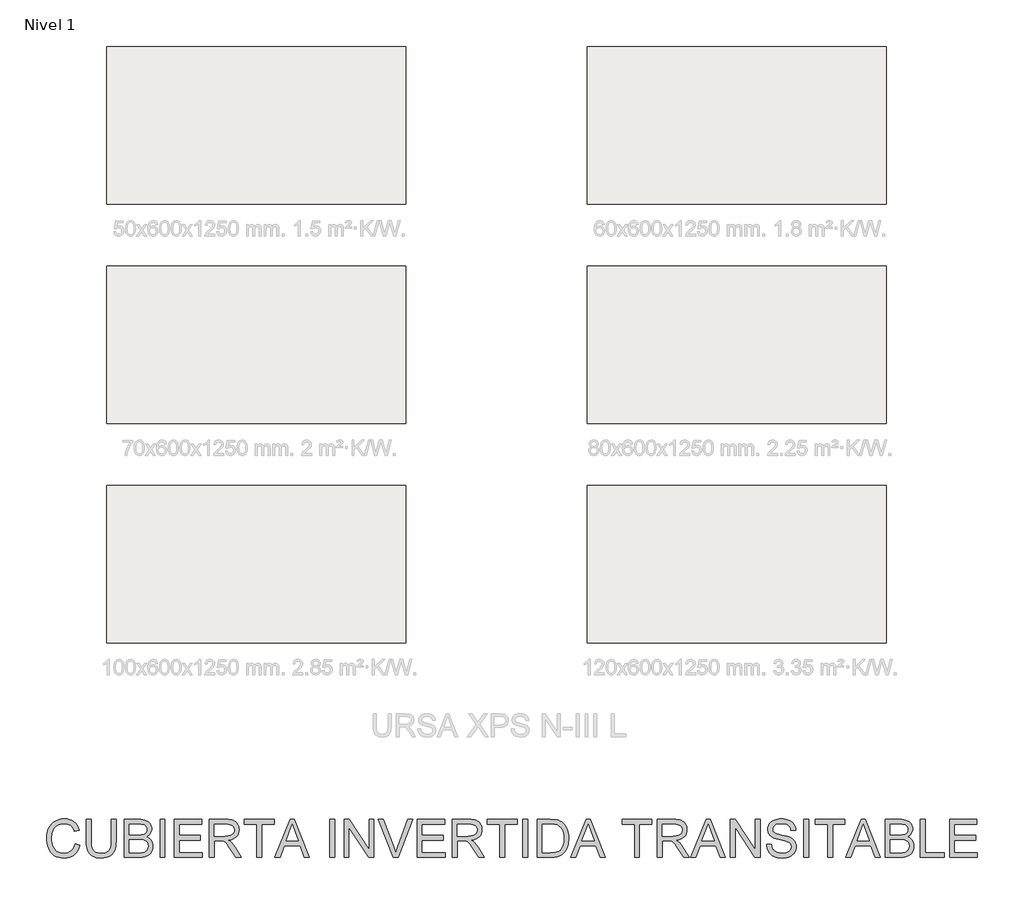
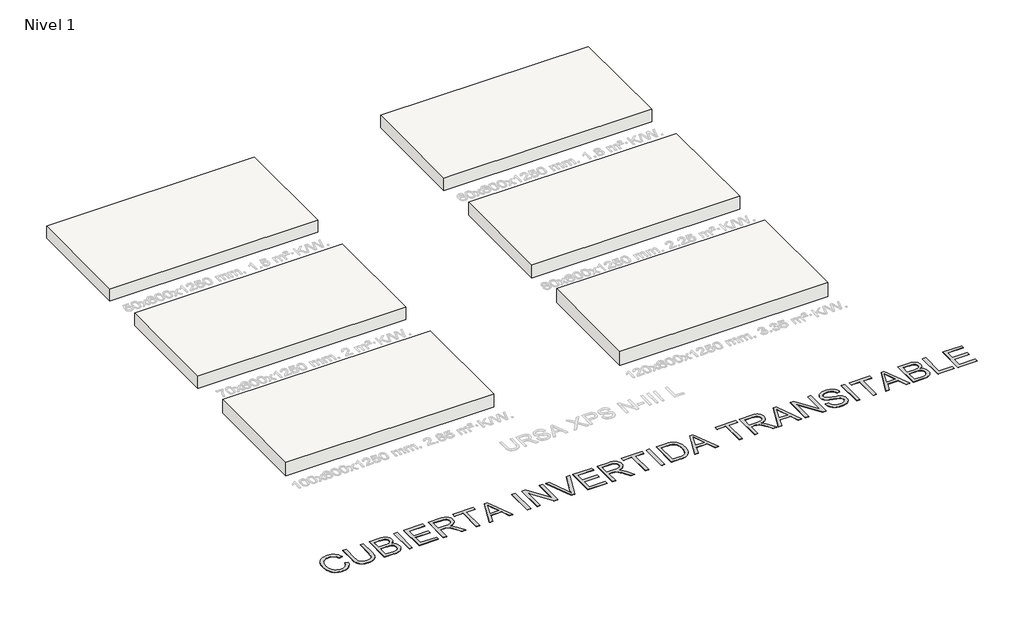
# One storey, part 1 of 7: 6 roofs, 1 proxy.
"""IFC4 building model written with IfcOpenShell, lengths in millimetres."""

from ifc_helpers import new_model, si_unit, origin, origin_with_axes, place, context, project, spatial, polyline, outline, extrude, element, save

model = new_model("IFC4")

# Units and contexts
model_context = context("Model", 3, world=origin())
ifc_project = project(units=[si_unit("LENGTHUNIT", "METRE", prefix="MILLI")], contexts=[model_context])

# Site, building, storey
site = spatial("IfcSite", under=ifc_project)
building = spatial("IfcBuilding", under=site)
storey = spatial("IfcBuildingStorey", under=building, Name="Nivel 1", Elevation=0.0)

# Proxy
placement = place(None, origin())
element("IfcBuildingElementProxy", 1, Name="Texto de modelo 2", ObjectType="Texto de modelo 2", at=placement, inside=storey, context=model_context, shape_type="SweptSolid", body=[
    extrude(outline(polyline([(-26852.6155714, -17259.2340137), (-26727.0451837, -17291.6076293), (-26751.8925468, -17369.698247), (-26784.9865979, -17437.9326929), (-26826.3273371, -17496.310967), (-26850.0902148, -17521.8040396), (-26875.9147644, -17544.8330693), (-26932.6299053, -17582.9778337), (-26995.3537855, -17610.2240939), (-27064.0864049, -17626.5718501), (-27138.8277636, -17632.0211022), (-27215.4008681, -17627.8977581), (-27284.4783769, -17615.527726), (-27346.06029, -17594.9110059), (-27400.1466075, -17566.0475977), (-27447.4807576, -17529.3666971), (-27488.8061684, -17485.2974997), (-27524.1228399, -17433.8400057), (-27553.4307722, -17374.9942149), (-27576.4463895, -17311.3046444), (-27592.8861162, -17245.3158116), (-27602.7499522, -17177.0277162), (-27606.0378975, -17106.4403584), (-27602.3207565, -17030.7026526), (-27591.1693335, -16959.9620106), (-27572.5836286, -16894.2184324), (-27546.5636416, -16833.471918), (-27513.6918525, -16778.7264786), (-27474.5507411, -16730.9861255), (-27429.1403073, -16690.2508587), (-27377.4605512, -16656.5206783), (-27321.2665764, -16630.0714957), (-27262.3134867, -16611.1792224), (-27200.601282, -16599.8438584), (-27136.1299623, -16596.0654037), (-27064.308667, -16600.9551686), (-26998.4501256, -16615.6244631), (-26938.5543383, -16640.0732874), (-26884.621305, -16674.3016414), (-26837.5400738, -16717.4051485), (-26798.1996929, -16768.4794321), (-26766.6001624, -16827.5244924), (-26742.7414822, -16894.5403292), (-26868.3118698, -16924.4613981), (-26888.0855271, -16875.0809045), (-26911.8445726, -16832.8894381), (-26939.5890064, -16797.8869991), (-26971.3188285, -16770.0735875), (-27007.2179799, -16748.8820517), (-27047.4704015, -16733.7452404), (-27092.0760934, -16724.6631537), (-27141.0350556, -16721.6357914), (-27197.3669861, -16724.9927146), (-27248.8857939, -16735.0634842), (-27295.5914788, -16751.8481003), (-27337.484041, -16775.3465627), (-27374.0346501, -16804.5012108), (-27404.7144756, -16838.2543839), (-27429.5235177, -16876.6060819), (-27448.4617762, -16919.5563048), (-27462.4642847, -16965.1583438), (-27472.4660764, -17011.46549), (-27478.4671515, -17058.4777433), (-27480.4675098, -17106.1951037), (-27478.0992695, -17166.1598689), (-27470.9945484, -17222.2005595), (-27459.1533467, -17274.3171755), (-27442.5756643, -17322.5097169), (-27420.9932539, -17365.8201576), (-27394.1378683, -17403.2904717), (-27362.0095074, -17434.920659), (-27324.6081712, -17460.7107197), (-27283.7502771, -17480.7219674), (-27241.2522425, -17495.0157158), (-27197.1140672, -17503.5919648), (-27151.3357515, -17506.4507145), (-27096.7435962, -17502.5572967), (-27046.5200397, -17490.8770433), (-27000.6650818, -17471.4099544), (-26959.1787226, -17444.15603), (-26923.0419808, -17409.2378972), (-26893.235875, -17366.7781836), (-26869.7604052, -17316.7768891), (-26852.6155714, -17259.2340137)])), origin_with_axes(), (0.0, 0.0, 1.0), 10.0),
    extrude(outline(polyline([(-25895.1413653, -16611.7617022), (-25769.5709776, -16611.7617022), (-25769.5709776, -17191.2984719), (-25771.7016275, -17263.0584536), (-25778.0935771, -17327.0162713), (-25788.7468266, -17383.171925), (-25803.6613758, -17431.5254148), (-25824.1248118, -17473.9084863), (-25851.4247215, -17512.1528854), (-25885.561105, -17546.258612), (-25926.5339622, -17576.2256662), (-25974.3892784, -17600.6361694), (-26029.1730388, -17618.0722432), (-26090.8852435, -17628.5338874), (-26159.5258925, -17632.0211022), (-26226.4727514, -17628.9860757), (-26287.0276606, -17619.8809963), (-26341.1906202, -17604.705864), (-26388.9616301, -17583.4606788), (-26430.3483546, -17556.4596732), (-26465.3584578, -17524.0170797), (-26493.9919397, -17486.1328984), (-26516.2488005, -17442.8071293), (-26532.9337818, -17392.5529159), (-26544.8516256, -17333.8834019), (-26552.0023319, -17266.7985872), (-26554.3859006, -17191.2984719), (-26554.3859006, -16611.7617022), (-26428.8155129, -16611.7617022), (-26428.8155129, -17186.883888), (-26427.2673429, -17247.5920814), (-26422.6228327, -17299.73169), (-26414.8819824, -17343.3027138), (-26404.0447919, -17378.3051528), (-26389.436811, -17407.2681957), (-26370.3835894, -17432.7210313), (-26346.8851269, -17454.6636594), (-26318.9414237, -17473.0960802), (-26287.0889743, -17487.6887327), (-26251.8642733, -17498.1120559), (-26213.2673206, -17504.3660498), (-26171.2981163, -17506.4507145), (-26102.090316, -17502.3273704), (-26043.5817503, -17489.9573384), (-25995.7724194, -17469.3406182), (-25975.8799669, -17455.9397501), (-25958.6623231, -17440.47721), (-25943.7745986, -17422.0831102), (-25930.871904, -17399.8875632), (-25911.0216047, -17344.0921273), (-25899.1114251, -17273.0909022), (-25895.1413653, -17186.883888), (-25895.1413653, -16611.7617022)])), origin_with_axes(), (0.0, 0.0, 1.0), 10.0),
    extrude(outline(polyline([(-25549.8227991, -17616.3248037), (-25549.8227991, -16611.7617022), (-25166.4897602, -16611.7617022), (-25110.8859294, -16613.6087764), (-25061.0609117, -16619.1499989), (-25017.014707, -16628.3853699), (-24978.7473153, -16641.3148891), (-24945.2853821, -16658.0765125), (-24915.6555531, -16678.8081958), (-24889.8578282, -16703.509939), (-24867.8922074, -16732.181742), (-24850.3488348, -16763.2064569), (-24837.8178543, -16794.9669358), (-24830.299266, -16827.4631787), (-24827.7930699, -16860.6951856), (-24829.9007272, -16891.3903396), (-24836.223699, -16921.181117), (-24846.7619853, -16950.0675178), (-24861.5155862, -16978.0495421), (-24880.5304868, -17004.25347), (-24903.8526724, -17027.8055819), (-24931.4821431, -17048.7058778), (-24963.4188988, -17066.9543576), (-24925.5193891, -17083.1105085), (-24892.2643896, -17104.1104391), (-24863.6539002, -17129.9541492), (-24839.6879211, -17160.641639), (-24820.7496626, -17195.237875), (-24807.222335, -17232.8078237), (-24799.1059385, -17273.3514853), (-24796.400473, -17316.8688596), (-24798.2475472, -17352.5304205), (-24803.7887697, -17386.9197229), (-24813.0241407, -17420.0367666), (-24825.95366, -17451.8815519), (-24841.6116374, -17481.296783), (-24859.0323827, -17507.1251648), (-24878.2158959, -17529.3666971), (-24899.162177, -17548.0213799), (-24922.3617353, -17563.8556341), (-24948.3050802, -17577.6358805), (-25008.4231296, -17599.0343499), (-25081.4783624, -17612.0021903), (-25169.4328161, -17616.3248037), (-25549.8227991, -17616.3248037)]), holes=[polyline([(-25424.2524114, -17019.8654622), (-25194.9393011, -17019.8654622), (-25114.7410262, -17017.1676609), (-25061.0302549, -17009.074257), (-25035.9453013, -17000.9272036), (-25014.1559573, -16990.4655594), (-24995.6622229, -16977.6893243), (-24980.4640979, -16962.5984983), (-24968.6075678, -16945.3003803), (-24960.1386177, -16925.9022692), (-24955.0572476, -16904.4041652), (-24953.3634576, -16880.806068), (-24954.9422845, -16858.2119821), (-24959.6787652, -16837.0281106), (-24967.5728997, -16817.2544533), (-24978.6246879, -16798.8910104), (-24992.6195322, -16782.6198963), (-25009.3428345, -16769.1232256), (-25028.794595, -16758.4009983), (-25050.9748137, -16750.4532144), (-25114.8636535, -16740.612371), (-25212.3523822, -16737.3320899), (-25424.2524114, -16737.3320899), (-25424.2524114, -17019.8654622)]), polyline([(-25424.2524114, -17490.754416), (-25166.7350148, -17490.754416), (-25110.3264422, -17489.5281427), (-25073.5382427, -17485.8493227), (-25030.2814514, -17474.966147), (-24994.6888684, -17458.5034278), (-24965.7488181, -17434.9283232), (-24942.4496251, -17402.7079918), (-24927.0905518, -17363.2833047), (-24921.9708607, -17318.0951329), (-24923.4730455, -17290.933179), (-24927.9795999, -17265.610635), (-24935.490524, -17242.1275009), (-24946.0058177, -17220.4837769), (-24959.8856988, -17201.3002637), (-24977.4903851, -17185.1977622), (-24998.8198766, -17172.1762724), (-25023.8741734, -17162.2357943), (-25053.7569213, -17154.8858186), (-25089.5717663, -17149.635836), (-25178.997748, -17145.4358499), (-25424.2524114, -17145.4358499), (-25424.2524114, -17490.754416)])]), origin_with_axes(), (0.0, 0.0, 1.0), 10.0),
    extrude(outline(polyline([(-24608.0448915, -17616.3248037), (-24608.0448915, -16611.7617022), (-24482.4745038, -16611.7617022), (-24482.4745038, -17616.3248037), (-24608.0448915, -17616.3248037)])), origin_with_axes(), (0.0, 0.0, 1.0), 10.0),
    extrude(outline(polyline([(-24231.3337284, -17616.3248037), (-24231.3337284, -16611.7617022), (-23509.3039992, -16611.7617022), (-23509.3039992, -16737.3320899), (-24105.7633407, -16737.3320899), (-24105.7633407, -17035.5617606), (-23540.6965961, -17035.5617606), (-23540.6965961, -17161.1321483), (-24105.7633407, -17161.1321483), (-24105.7633407, -17490.754416), (-23493.6077008, -17490.754416), (-23493.6077008, -17616.3248037), (-24231.3337284, -17616.3248037)])), origin_with_axes(), (0.0, 0.0, 1.0), 10.0),
    extrude(outline(polyline([(-23305.2521192, -17616.3248037), (-23305.2521192, -16611.7617022), (-22872.3776382, -16611.7617022), (-22810.2439021, -16613.4554922), (-22756.0349573, -16618.5368623), (-22709.7508037, -16627.0058124), (-22671.3914415, -16638.8623425), (-22638.726586, -16655.0184935), (-22609.5259527, -16676.386306), (-22583.7895414, -16702.9657802), (-22561.5173523, -16734.7569159), (-22543.544784, -16770.0505948), (-22530.7072352, -16807.1376985), (-22523.0047059, -16846.0182268), (-22520.4371962, -16886.6921799), (-22524.6908317, -16938.2876298), (-22537.4517385, -16985.6524366), (-22558.7199163, -17028.7866006), (-22588.4953653, -17067.6901216), (-22627.1612958, -17101.1213979), (-22675.1009183, -17127.8388278), (-22732.3142328, -17147.8424113), (-22798.8012392, -17161.1321483), (-22757.4145147, -17188.171475), (-22727.4321321, -17214.8429196), (-22675.9899665, -17275.8500172), (-22625.6514468, -17344.0921273), (-22458.1425117, -17616.3248037), (-22604.0690364, -17616.3248037), (-22734.789772, -17408.1035944), (-22787.090329, -17328.6410835), (-22829.2128175, -17270.2704736), (-22864.3148912, -17230.0793656), (-22895.5542039, -17205.1553604), (-22925.1380477, -17190.5320511), (-22955.2737145, -17181.2430307), (-23028.1143495, -17176.8284468), (-23179.6817315, -17176.8284468), (-23179.6817315, -17616.3248037), (-23305.2521192, -17616.3248037)]), holes=[polyline([(-23179.6817315, -17051.2580591), (-22898.6198872, -17051.2580591), (-22817.9004461, -17046.8128183), (-22755.2685364, -17033.477096), (-22730.0839482, -17023.2530422), (-22708.1183274, -17010.361844), (-22689.371674, -16994.8035013), (-22673.8439882, -16976.5780141), (-22661.6655613, -16956.5820948), (-22652.9666849, -16935.7124558), (-22647.7473591, -16913.969097), (-22646.0075839, -16891.3520185), (-22649.326186, -16859.238986), (-22659.2819925, -16830.0996663), (-22675.8750033, -16803.9340594), (-22699.1052185, -16780.7421653), (-22729.5091326, -16761.7502573), (-22767.6232401, -16748.1846087), (-22813.4475411, -16740.0452196), (-22866.9820356, -16737.3320899), (-23179.6817315, -16737.3320899), (-23179.6817315, -17051.2580591)])]), origin_with_axes(), (0.0, 0.0, 1.0), 10.0),
    extrude(outline(polyline([(-22049.5482424, -17616.3248037), (-22049.5482424, -16737.3320899), (-22379.17051, -16737.3320899), (-22379.17051, -16611.7617022), (-21594.355587, -16611.7617022), (-21594.355587, -16737.3320899), (-21923.9778547, -16737.3320899), (-21923.9778547, -17616.3248037), (-22049.5482424, -17616.3248037)])), origin_with_axes(), (0.0, 0.0, 1.0), 10.0),
    extrude(outline(polyline([(-21570.0753753, -17616.3248037), (-21169.0840006, -16611.7617022), (-21062.1529673, -16611.7617022), (-20661.1615926, -17616.3248037), (-20793.8443655, -17616.3248037), (-20908.8688026, -17302.3988345), (-21322.6134199, -17302.3988345), (-21437.3926024, -17616.3248037), (-21570.0753753, -17616.3248037)]), holes=[polyline([(-21276.5055432, -17176.8284468), (-20954.7314247, -17176.8284468), (-21045.2303955, -16929.8570007), (-21115.6184839, -16737.3320899), (-21178.1584231, -16908.2745903), (-21276.5055432, -17176.8284468)])]), origin_with_axes(), (0.0, 0.0, 1.0), 10.0),
    extrude(outline(polyline([(-20118.9035317, -17616.3248037), (-20118.9035317, -16611.7617022), (-19993.333144, -16611.7617022), (-19993.333144, -17616.3248037), (-20118.9035317, -17616.3248037)])), origin_with_axes(), (0.0, 0.0, 1.0), 10.0),
    extrude(outline(polyline([(-19742.1923686, -17616.3248037), (-19742.1923686, -16611.7617022), (-19607.792813, -16611.7617022), (-19082.9478332, -17407.6130851), (-19082.9478332, -16611.7617022), (-18957.3774456, -16611.7617022), (-18957.3774456, -17616.3248037), (-19091.7770011, -17616.3248037), (-19616.6219809, -16820.2281661), (-19616.6219809, -17616.3248037), (-19742.1923686, -17616.3248037)])), origin_with_axes(), (0.0, 0.0, 1.0), 10.0),
    extrude(outline(polyline([(-18440.8711243, -17616.3248037), (-18840.6362258, -16611.7617022), (-18706.2366702, -16611.7617022), (-18438.6638324, -17335.508214), (-18408.9267044, -17419.8145046), (-18384.4625517, -17498.6025652), (-18359.5692034, -17416.994076), (-18330.9970351, -17335.508214), (-18062.6884333, -16611.7617022), (-17928.2888777, -16611.7617022), (-18311.1314074, -17616.3248037), (-18440.8711243, -17616.3248037)])), origin_with_axes(), (0.0, 0.0, 1.0), 10.0),
    extrude(outline(polyline([(-17811.5476579, -17616.3248037), (-17811.5476579, -16611.7617022), (-17089.5179287, -16611.7617022), (-17089.5179287, -16737.3320899), (-17685.9772702, -16737.3320899), (-17685.9772702, -17035.5617606), (-17120.9105256, -17035.5617606), (-17120.9105256, -17161.1321483), (-17685.9772702, -17161.1321483), (-17685.9772702, -17490.754416), (-17073.8216303, -17490.754416), (-17073.8216303, -17616.3248037), (-17811.5476579, -17616.3248037)])), origin_with_axes(), (0.0, 0.0, 1.0), 10.0),
    extrude(outline(polyline([(-16885.4660487, -17616.3248037), (-16885.4660487, -16611.7617022), (-16452.5915677, -16611.7617022), (-16390.4578316, -16613.4554922), (-16336.2488868, -16618.5368623), (-16289.9647332, -16627.0058124), (-16251.605371, -16638.8623425), (-16218.9405155, -16655.0184935), (-16189.7398822, -16676.386306), (-16164.0034709, -16702.9657802), (-16141.7312818, -16734.7569159), (-16123.7587135, -16770.0505948), (-16110.9211647, -16807.1376985), (-16103.2186354, -16846.0182268), (-16100.6511257, -16886.6921799), (-16104.9047612, -16938.2876298), (-16117.665668, -16985.6524366), (-16138.9338458, -17028.7866006), (-16168.7092948, -17067.6901216), (-16207.3752253, -17101.1213979), (-16255.3148478, -17127.8388278), (-16312.5281623, -17147.8424113), (-16379.0151687, -17161.1321483), (-16337.6284442, -17188.171475), (-16307.6460616, -17214.8429196), (-16256.203896, -17275.8500172), (-16205.8653763, -17344.0921273), (-16038.3564412, -17616.3248037), (-16184.2829659, -17616.3248037), (-16315.0037015, -17408.1035944), (-16367.3042585, -17328.6410835), (-16409.426747, -17270.2704736), (-16444.5288207, -17230.0793656), (-16475.7681334, -17205.1553604), (-16505.3519772, -17190.5320511), (-16535.487644, -17181.2430307), (-16608.328279, -17176.8284468), (-16759.895661, -17176.8284468), (-16759.895661, -17616.3248037), (-16885.4660487, -17616.3248037)]), holes=[polyline([(-16759.895661, -17051.2580591), (-16478.8338167, -17051.2580591), (-16398.1143756, -17046.8128183), (-16335.4824659, -17033.477096), (-16310.2978777, -17023.2530422), (-16288.3322569, -17010.361844), (-16269.5856035, -16994.8035013), (-16254.0579177, -16976.5780141), (-16241.8794908, -16956.5820948), (-16233.1806144, -16935.7124558), (-16227.9612886, -16913.969097), (-16226.2215134, -16891.3520185), (-16229.5401155, -16859.238986), (-16239.495922, -16830.0996663), (-16256.0889328, -16803.9340594), (-16279.319148, -16780.7421653), (-16309.7230621, -16761.7502573), (-16347.8371696, -16748.1846087), (-16393.6614706, -16740.0452196), (-16447.1959651, -16737.3320899), (-16759.895661, -16737.3320899), (-16759.895661, -17051.2580591)])]), origin_with_axes(), (0.0, 0.0, 1.0), 10.0),
    extrude(outline(polyline([(-15629.7621719, -17616.3248037), (-15629.7621719, -16737.3320899), (-15959.3844395, -16737.3320899), (-15959.3844395, -16611.7617022), (-15174.5695165, -16611.7617022), (-15174.5695165, -16737.3320899), (-15504.1917842, -16737.3320899), (-15504.1917842, -17616.3248037), (-15629.7621719, -17616.3248037)])), origin_with_axes(), (0.0, 0.0, 1.0), 10.0),
    extrude(outline(polyline([(-15017.6065319, -17616.3248037), (-15017.6065319, -16611.7617022), (-14892.0361442, -16611.7617022), (-14892.0361442, -17616.3248037), (-15017.6065319, -17616.3248037)])), origin_with_axes(), (0.0, 0.0, 1.0), 10.0),
    extrude(outline(polyline([(-14640.8953688, -17616.3248037), (-14640.8953688, -16611.7617022), (-14294.3505294, -16611.7617022), (-14190.7917477, -16615.3792085), (-14115.0693704, -16626.2317273), (-14073.4680481, -16638.1725638), (-14034.9937228, -16654.1294453), (-13999.6463944, -16674.102372), (-13967.426063, -16698.0913437), (-13930.1933394, -16734.0211519), (-13897.9576796, -16774.6107987), (-13870.7190835, -16819.8602841), (-13848.4775512, -16869.7696081), (-13831.2024259, -16923.8789183), (-13818.8630506, -16981.728362), (-13811.4594254, -17043.3179394), (-13808.9915504, -17108.6476504), (-13810.6623478, -17164.174839), (-13815.67474, -17216.4677318), (-13824.0287269, -17265.5263287), (-13835.7243087, -17311.3506297), (-13866.2585143, -17392.1313845), (-13884.3767026, -17426.7965983), (-13904.3956145, -17457.6450364), (-13948.2961992, -17509.3631136), (-13996.1208586, -17548.7571439), (-14051.0272464, -17577.9731057), (-14116.1730164, -17599.1569773), (-14191.6807959, -17612.0328471), (-14277.6732122, -17616.3248037), (-14640.8953688, -17616.3248037)]), holes=[polyline([(-14515.3249811, -17490.754416), (-14293.124256, -17490.754416), (-14201.2150709, -17486.2172047), (-14163.5838085, -17480.5456906), (-14131.5014328, -17472.6055709), (-14078.8943075, -17450.7165922), (-14057.0972993, -17436.9670026), (-14038.3046607, -17421.3473463), (-14015.1357592, -17396.1704222), (-13994.6799875, -17366.9927815), (-13976.9373454, -17333.814424), (-13961.9078331, -17296.6353499), (-13949.944004, -17255.378917), (-13941.3984118, -17209.9684832), (-13936.2710565, -17160.4040485), (-13934.5619381, -17106.685613), (-13937.9111971, -17033.7836643), (-13947.9589741, -16969.8335108), (-13964.7052691, -16914.8351526), (-13988.150082, -16868.7885895), (-14016.3926894, -16830.6514893), (-14047.5323674, -16799.3815197), (-14081.5691162, -16774.9786807), (-14118.5029357, -16757.4429723), (-14150.4166987, -16748.6444612), (-14190.7304341, -16742.3598105), (-14296.5578213, -16737.3320899), (-14515.3249811, -16737.3320899), (-14515.3249811, -17490.754416)])]), origin_with_axes(), (0.0, 0.0, 1.0), 10.0),
    extrude(outline(polyline([(-13753.3187418, -17616.3248037), (-13352.327367, -16611.7617022), (-13245.3963338, -16611.7617022), (-12844.404959, -17616.3248037), (-12977.087732, -17616.3248037), (-13092.1121691, -17302.3988345), (-13505.8567864, -17302.3988345), (-13620.6359689, -17616.3248037), (-13753.3187418, -17616.3248037)]), holes=[polyline([(-13459.7489096, -17176.8284468), (-13137.9747912, -17176.8284468), (-13228.473762, -16929.8570007), (-13298.8618504, -16737.3320899), (-13361.4017896, -16908.2745903), (-13459.7489096, -17176.8284468)])]), origin_with_axes(), (0.0, 0.0, 1.0), 10.0),
    extrude(outline(polyline([(-12066.7024212, -17616.3248037), (-12066.7024212, -16737.3320899), (-12396.3246889, -16737.3320899), (-12396.3246889, -16611.7617022), (-11611.5097659, -16611.7617022), (-11611.5097659, -16737.3320899), (-11941.1320335, -16737.3320899), (-11941.1320335, -17616.3248037), (-12066.7024212, -17616.3248037)])), origin_with_axes(), (0.0, 0.0, 1.0), 10.0),
    extrude(outline(polyline([(-11470.2430797, -17616.3248037), (-11470.2430797, -16611.7617022), (-11037.3685987, -16611.7617022), (-10975.2348626, -16613.4554922), (-10921.0259178, -16618.5368623), (-10874.7417642, -16627.0058124), (-10836.382402, -16638.8623425), (-10803.7175465, -16655.0184935), (-10774.5169132, -16676.386306), (-10748.7805019, -16702.9657802), (-10726.5083128, -16734.7569159), (-10708.5357445, -16770.0505948), (-10695.6981957, -16807.1376985), (-10687.9956664, -16846.0182268), (-10685.4281567, -16886.6921799), (-10689.6817922, -16938.2876298), (-10702.442699, -16985.6524366), (-10723.7108768, -17028.7866006), (-10753.4863258, -17067.6901216), (-10792.1522563, -17101.1213979), (-10840.0918788, -17127.8388278), (-10897.3051933, -17147.8424113), (-10963.7921997, -17161.1321483), (-10922.4054752, -17188.171475), (-10892.4230926, -17214.8429196), (-10840.980927, -17275.8500172), (-10790.6424073, -17344.0921273), (-10623.1334722, -17616.3248037), (-10769.0599969, -17616.3248037), (-10899.7807325, -17408.1035944), (-10952.0812895, -17328.6410835), (-10994.203778, -17270.2704736), (-11029.3058517, -17230.0793656), (-11060.5451644, -17205.1553604), (-11090.1290082, -17190.5320511), (-11120.264675, -17181.2430307), (-11193.10531, -17176.8284468), (-11344.672692, -17176.8284468), (-11344.672692, -17616.3248037), (-11470.2430797, -17616.3248037)]), holes=[polyline([(-11344.672692, -17051.2580591), (-11063.6108477, -17051.2580591), (-10982.8914066, -17046.8128183), (-10920.2594969, -17033.477096), (-10895.0749087, -17023.2530422), (-10873.1092879, -17010.361844), (-10854.3626345, -16994.8035013), (-10838.8349487, -16976.5780141), (-10826.6565218, -16956.5820948), (-10817.9576454, -16935.7124558), (-10812.7383196, -16913.969097), (-10810.9985444, -16891.3520185), (-10814.3171465, -16859.238986), (-10824.272953, -16830.0996663), (-10840.8659638, -16803.9340594), (-10864.096179, -16780.7421653), (-10894.5000931, -16761.7502573), (-10932.6142006, -16748.1846087), (-10978.4385016, -16740.0452196), (-11031.9729961, -16737.3320899), (-11344.672692, -16737.3320899), (-11344.672692, -17051.2580591)])]), origin_with_axes(), (0.0, 0.0, 1.0), 10.0),
    extrude(outline(polyline([(-10582.6664527, -17616.3248037), (-10181.6750779, -16611.7617022), (-10074.7440447, -16611.7617022), (-9673.7526699, -17616.3248037), (-9806.4354429, -17616.3248037), (-9921.45988, -17302.3988345), (-10335.2044973, -17302.3988345), (-10449.9836798, -17616.3248037), (-10582.6664527, -17616.3248037)]), holes=[polyline([(-10289.0966205, -17176.8284468), (-9967.3225021, -17176.8284468), (-10057.8214729, -16929.8570007), (-10128.2095613, -16737.3320899), (-10190.7495005, -16908.2745903), (-10289.0966205, -17176.8284468)])]), origin_with_axes(), (0.0, 0.0, 1.0), 10.0),
    extrude(outline(polyline([(-9539.598369, -17616.3248037), (-9539.598369, -16611.7617022), (-9405.1988135, -16611.7617022), (-8880.3538337, -17407.6130851), (-8880.3538337, -16611.7617022), (-8754.783446, -16611.7617022), (-8754.783446, -17616.3248037), (-8889.1830016, -17616.3248037), (-9414.0279813, -16820.2281661), (-9414.0279813, -17616.3248037), (-9539.598369, -17616.3248037)])), origin_with_axes(), (0.0, 0.0, 1.0), 10.0),
    extrude(outline(polyline([(-8582.1241629, -17271.0062376), (-8456.5537752, -17271.0062376), (-8450.8056191, -17307.5568466), (-8442.1450638, -17340.6892188), (-8430.5721093, -17370.4033541), (-8416.0867558, -17396.6992526), (-8397.9532391, -17420.1057445), (-8375.4357953, -17441.1516603), (-8348.5344244, -17459.837), (-8317.2491264, -17476.1617635), (-8282.7295325, -17489.4131796), (-8246.125274, -17498.8784767), (-8207.4363508, -17504.557655), (-8166.662763, -17506.4507145), (-8096.7038703, -17500.7178867), (-8064.9893766, -17493.551852), (-8035.4515181, -17483.5194034), (-8008.8183945, -17470.9807588), (-7985.8181056, -17456.2961358), (-7966.4506514, -17439.4655345), (-7950.7160319, -17420.4889549), (-7938.537605, -17400.1864673), (-7929.8387286, -17379.378142), (-7924.6194028, -17358.0639789), (-7922.8796276, -17336.243978), (-7928.0912892, -17294.2134601), (-7943.726274, -17257.8851131), (-7956.8780553, -17241.7672831), (-7975.4867529, -17226.891055), (-7999.5523667, -17213.2564285), (-8029.0748968, -17200.8634038), (-8095.3856265, -17181.1510602), (-8211.9122484, -17152.9161171), (-8331.9337494, -17121.186295), (-8375.7346994, -17105.8961996), (-8408.7291159, -17090.9893146), (-8442.2600269, -17070.9857311), (-8471.2383982, -17048.7441988), (-8495.6642298, -17024.2647177), (-8515.5375218, -16997.5472878), (-8530.9349161, -16968.8678206), (-8541.9330549, -16938.5022276), (-8548.5319382, -16906.4505088), (-8550.731566, -16872.7126641), (-8548.0107721, -16835.3189921), (-8539.8483903, -16799.1669219), (-8526.2444207, -16764.2564534), (-8507.1988632, -16730.5875866), (-8482.9263158, -16699.5322149), (-8453.6413761, -16672.4622314), (-8419.3440443, -16649.3776362), (-8380.0343202, -16630.2784293), (-8337.038112, -16615.3102306), (-8291.6813277, -16604.6186601), (-8243.9639673, -16598.2037178), (-8193.8860307, -16596.0654037), (-8139.2555544, -16598.3033525), (-8087.9360161, -16605.017199), (-8039.9274157, -16616.206943), (-7995.2297533, -16631.8725846), (-7954.6707633, -16651.8761681), (-7919.0781803, -16676.0797377), (-7888.4520042, -16704.4832934), (-7862.792235, -16737.0868352), (-7842.2981422, -16772.9400013), (-7827.1689952, -16811.0924299), (-7817.4047939, -16851.544121), (-7813.0055383, -16894.2950745), (-7938.575926, -16894.2950745), (-7946.9758982, -16854.2265939), (-7961.6298644, -16819.3697748), (-7982.5378244, -16789.7246174), (-8009.6997784, -16765.2911215), (-8043.6215641, -16746.1919146), (-8084.8090191, -16732.5496239), (-8133.2621436, -16724.3642496), (-8188.9809374, -16721.6357914), (-8246.4778276, -16724.3335927), (-8295.6054023, -16732.4269966), (-8336.3636617, -16745.9160031), (-8368.7526057, -16764.8006122), (-8393.4313562, -16787.501997), (-8411.0590352, -16812.4413306), (-8421.6356425, -16839.618613), (-8425.1611783, -16869.0338442), (-8422.6626464, -16894.3410597), (-8415.1670508, -16917.2876992), (-8402.6743914, -16937.8737625), (-8385.1846682, -16956.0992497), (-8357.6548322, -16973.3590466), (-8314.3060704, -16990.8027846), (-8255.1383829, -17008.4304635), (-8180.1517695, -17026.2420834), (-8041.705512, -17059.903286), (-7992.9918045, -17075.1244035), (-7957.9510444, -17089.2725319), (-7919.4537265, -17110.7169866), (-7886.3673395, -17134.8285857), (-7858.6918836, -17161.6073292), (-7836.4273587, -17191.0532173), (-7819.3131817, -17223.0129656), (-7807.0887696, -17257.3332901), (-7799.7541223, -17294.0141907), (-7797.3092399, -17333.0556674), (-7800.1220043, -17372.3347346), (-7808.5602976, -17410.4641706), (-7822.6241197, -17447.4439753), (-7842.3134706, -17483.2741488), (-7867.283461, -17516.5674693), (-7897.1892016, -17545.9367153), (-7932.0306922, -17571.3818866), (-7971.8079329, -17592.9029833), (-8015.3636283, -17610.0171603), (-8061.5404829, -17622.2415725), (-8110.3384967, -17629.5762197), (-8161.7576698, -17632.0211022), (-8225.991399, -17629.3846145), (-8284.7835403, -17621.4751516), (-8338.1340938, -17608.2927135), (-8386.0430595, -17589.8373), (-8428.8016772, -17566.0782545), (-8466.7011869, -17536.9849201), (-8499.7415886, -17502.5572967), (-8527.9228823, -17462.7953844), (-8550.6242671, -17418.9867701), (-8567.2249421, -17372.4190409), (-8577.7249074, -17323.0921967), (-8582.1241629, -17271.0062376)])), origin_with_axes(), (0.0, 0.0, 1.0), 10.0),
    extrude(outline(polyline([(-7593.2573599, -17616.3248037), (-7593.2573599, -16611.7617022), (-7467.6869722, -16611.7617022), (-7467.6869722, -17616.3248037), (-7593.2573599, -17616.3248037)])), origin_with_axes(), (0.0, 0.0, 1.0), 10.0),
    extrude(outline(polyline([(-6965.4054214, -17616.3248037), (-6965.4054214, -16737.3320899), (-7295.0276891, -16737.3320899), (-7295.0276891, -16611.7617022), (-6510.2127661, -16611.7617022), (-6510.2127661, -16737.3320899), (-6839.8350338, -16737.3320899), (-6839.8350338, -17616.3248037), (-6965.4054214, -17616.3248037)])), origin_with_axes(), (0.0, 0.0, 1.0), 10.0),
    extrude(outline(polyline([(-6485.9325544, -17616.3248037), (-6084.9411797, -16611.7617022), (-5978.0101464, -16611.7617022), (-5577.0187717, -17616.3248037), (-5709.7015446, -17616.3248037), (-5824.7259817, -17302.3988345), (-6238.470599, -17302.3988345), (-6353.2497815, -17616.3248037), (-6485.9325544, -17616.3248037)]), holes=[polyline([(-6192.3627223, -17176.8284468), (-5870.5886038, -17176.8284468), (-5961.0875746, -16929.8570007), (-6031.475663, -16737.3320899), (-6094.0156022, -16908.2745903), (-6192.3627223, -17176.8284468)])]), origin_with_axes(), (0.0, 0.0, 1.0), 10.0),
    extrude(outline(polyline([(-5442.8644707, -17616.3248037), (-5442.8644707, -16611.7617022), (-5059.5314318, -16611.7617022), (-5003.927601, -16613.6087764), (-4954.1025833, -16619.1499989), (-4910.0563786, -16628.3853699), (-4871.7889869, -16641.3148891), (-4838.3270538, -16658.0765125), (-4808.6972247, -16678.8081958), (-4782.8994998, -16703.509939), (-4760.933879, -16732.181742), (-4743.3905064, -16763.2064569), (-4730.8595259, -16794.9669358), (-4723.3409376, -16827.4631787), (-4720.8347415, -16860.6951856), (-4722.9423988, -16891.3903396), (-4729.2653706, -16921.181117), (-4739.8036569, -16950.0675178), (-4754.5572578, -16978.0495421), (-4773.5721584, -17004.25347), (-4796.894344, -17027.8055819), (-4824.5238147, -17048.7058778), (-4856.4605704, -17066.9543576), (-4818.5610607, -17083.1105085), (-4785.3060612, -17104.1104391), (-4756.6955719, -17129.9541492), (-4732.7295927, -17160.641639), (-4713.7913342, -17195.237875), (-4700.2640066, -17232.8078237), (-4692.1476101, -17273.3514853), (-4689.4421446, -17316.8688596), (-4691.2892188, -17352.5304205), (-4696.8304414, -17386.9197229), (-4706.0658123, -17420.0367666), (-4718.9953316, -17451.8815519), (-4734.653309, -17481.296783), (-4752.0740543, -17507.1251648), (-4771.2575675, -17529.3666971), (-4792.2038486, -17548.0213799), (-4815.4034069, -17563.8556341), (-4841.3467518, -17577.6358805), (-4901.4648012, -17599.0343499), (-4974.5200341, -17612.0021903), (-5062.4744877, -17616.3248037), (-5442.8644707, -17616.3248037)]), holes=[polyline([(-5317.2940831, -17019.8654622), (-5087.9809727, -17019.8654622), (-5007.7826978, -17017.1676609), (-4954.0719265, -17009.074257), (-4928.9869729, -17000.9272036), (-4907.1976289, -16990.4655594), (-4888.7038945, -16977.6893243), (-4873.5057695, -16962.5984983), (-4861.6492394, -16945.3003803), (-4853.1802893, -16925.9022692), (-4848.0989193, -16904.4041652), (-4846.4051292, -16880.806068), (-4847.9839561, -16858.2119821), (-4852.7204368, -16837.0281106), (-4860.6145713, -16817.2544533), (-4871.6663596, -16798.8910104), (-4885.6612038, -16782.6198963), (-4902.3845062, -16769.1232256), (-4921.8362667, -16758.4009983), (-4944.0164853, -16750.4532144), (-5007.9053251, -16740.612371), (-5105.3940538, -16737.3320899), (-5317.2940831, -16737.3320899), (-5317.2940831, -17019.8654622)]), polyline([(-5317.2940831, -17490.754416), (-5059.7766864, -17490.754416), (-5003.3681138, -17489.5281427), (-4966.5799143, -17485.8493227), (-4923.3231231, -17474.966147), (-4887.73054, -17458.5034278), (-4858.7904897, -17434.9283232), (-4835.4912967, -17402.7079918), (-4820.1322234, -17363.2833047), (-4815.0125323, -17318.0951329), (-4816.5147171, -17290.933179), (-4821.0212716, -17265.610635), (-4828.5321956, -17242.1275009), (-4839.0474893, -17220.4837769), (-4852.9273704, -17201.3002637), (-4870.5320567, -17185.1977622), (-4891.8615483, -17172.1762724), (-4916.915845, -17162.2357943), (-4946.7985929, -17154.8858186), (-4982.6134379, -17149.635836), (-5072.0394196, -17145.4358499), (-5317.2940831, -17145.4358499), (-5317.2940831, -17490.754416)])]), origin_with_axes(), (0.0, 0.0, 1.0), 10.0),
    extrude(outline(polyline([(-4516.7828616, -17616.3248037), (-4516.7828616, -16611.7617022), (-4391.2124739, -16611.7617022), (-4391.2124739, -17490.754416), (-3888.9309231, -17490.754416), (-3888.9309231, -17616.3248037), (-4516.7828616, -17616.3248037)])), origin_with_axes(), (0.0, 0.0, 1.0), 10.0),
    extrude(outline(polyline([(-3747.664237, -17616.3248037), (-3747.664237, -16611.7617022), (-3025.6345078, -16611.7617022), (-3025.6345078, -16737.3320899), (-3622.0938493, -16737.3320899), (-3622.0938493, -17035.5617606), (-3057.0271047, -17035.5617606), (-3057.0271047, -17161.1321483), (-3622.0938493, -17161.1321483), (-3622.0938493, -17490.754416), (-3009.9382093, -17490.754416), (-3009.9382093, -17616.3248037), (-3747.664237, -17616.3248037)])), origin_with_axes(), (0.0, 0.0, 1.0), 10.0),
])

# Roofs
element("IfcRoof", 2, at=placement, inside=storey, context=model_context, shape_type="SweptSolid", body=[
    extrude(outline(polyline([(-18117.4596431, -7778.5622442), (-18117.4596431, -11945.3771288), (-26017.4596431, -11945.3771288), (-26017.4596431, -7778.5622442), (-18117.4596431, -7778.5622442)])), origin_with_axes(), (0.0, 0.0, 1.0), 536.0),
])
element("IfcRoof", 3, at=placement, inside=storey, context=model_context, shape_type="SweptSolid", body=[
    extrude(outline(polyline([(-5417.4596431, -7778.5622442), (-5417.4596431, -11945.3771288), (-13317.4596431, -11945.3771288), (-13317.4596431, -7778.5622442), (-5417.4596431, -7778.5622442)])), origin_with_axes(), (0.0, 0.0, 1.0), 556.0),
])
element("IfcRoof", 4, at=placement, inside=storey, context=model_context, shape_type="SweptSolid", body=[
    extrude(outline(polyline([(-18117.4596431, -1978.5622442), (-18117.4596431, -6145.3771288), (-26017.4596431, -6145.3771288), (-26017.4596431, -1978.5622442), (-18117.4596431, -1978.5622442)])), origin_with_axes(), (0.0, 0.0, 1.0), 506.0),
])
element("IfcRoof", 5, at=placement, inside=storey, context=model_context, shape_type="SweptSolid", body=[
    extrude(outline(polyline([(-5417.4596431, -1978.5622442), (-5417.4596431, -6145.3771288), (-13317.4596431, -6145.3771288), (-13317.4596431, -1978.5622442), (-5417.4596431, -1978.5622442)])), origin_with_axes(), (0.0, 0.0, 1.0), 516.0),
])
element("IfcRoof", 6, at=placement, inside=storey, context=model_context, shape_type="SweptSolid", body=[
    extrude(outline(polyline([(-18117.4596431, 3821.4377558), (-18117.4596431, -345.3771288), (-26017.4596431, -345.3771288), (-26017.4596431, 3821.4377558), (-18117.4596431, 3821.4377558)])), origin_with_axes(), (0.0, 0.0, 1.0), 486.0),
])
element("IfcRoof", 7, at=placement, inside=storey, context=model_context, shape_type="SweptSolid", body=[
    extrude(outline(polyline([(-5417.4596431, 3821.4377558), (-5417.4596431, -345.3771288), (-13317.4596431, -345.3771288), (-13317.4596431, 3821.4377558), (-5417.4596431, 3821.4377558)])), origin_with_axes(), (0.0, 0.0, 1.0), 496.0),
])

save(model, "model.ifc")
